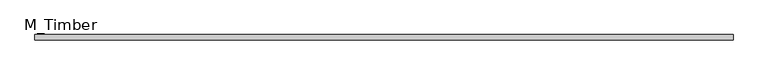
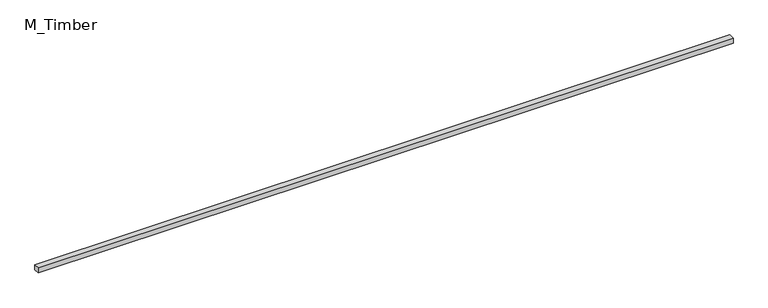
"""IFC4 building model written with IfcOpenShell, lengths in millimetres: beam geometry, M_Timber."""

from ifc_helpers import new_model, si_unit, frame, origin, place, context, project, spatial, polyline, outline, extrude, source, transform, mapped, element, save


def m_timber_0f36ce62(model_context):
    return source(origin(), model_context, "Body", "SweptSolid", [
        extrude(outline(polyline([(2578.1127232, 20.0), (2578.1127232, -20.0), (-2578.1127232, -20.0), (-2578.1127232, 20.0), (2578.1127232, 20.0)])), frame((0.0, 0.0, -20.0), z_axis=(0.0, 0.0, 1.0), x_axis=(1.0, 0.0, 0.0)), (0.0, 0.0, 1.0), 40.0),
    ])


if __name__ == "__main__":
    model = new_model("IFC4")
    model_context = context("Model", 3, world=origin())
    ifc_project = project(units=[si_unit("LENGTHUNIT", "METRE", prefix="MILLI")], contexts=[model_context])
    site = spatial("IfcSite", under=ifc_project)
    building = spatial("IfcBuilding", under=site)
    placement = place(None, origin())
    m_timber_shape = m_timber_0f36ce62(model_context)
    element("IfcBeam", 1, ObjectType="M_Timber", at=placement, inside=building, context=model_context, shape_type="MappedRepresentation", body=[
        mapped(m_timber_shape, transform((0.0, 0.0, 0.0), x_axis=(1.0, 0.0, 0.0), y_axis=(0.0, 1.0, 0.0), z_axis=(0.0, 0.0, 1.0))),
    ])
    save(model, "model.ifc")
